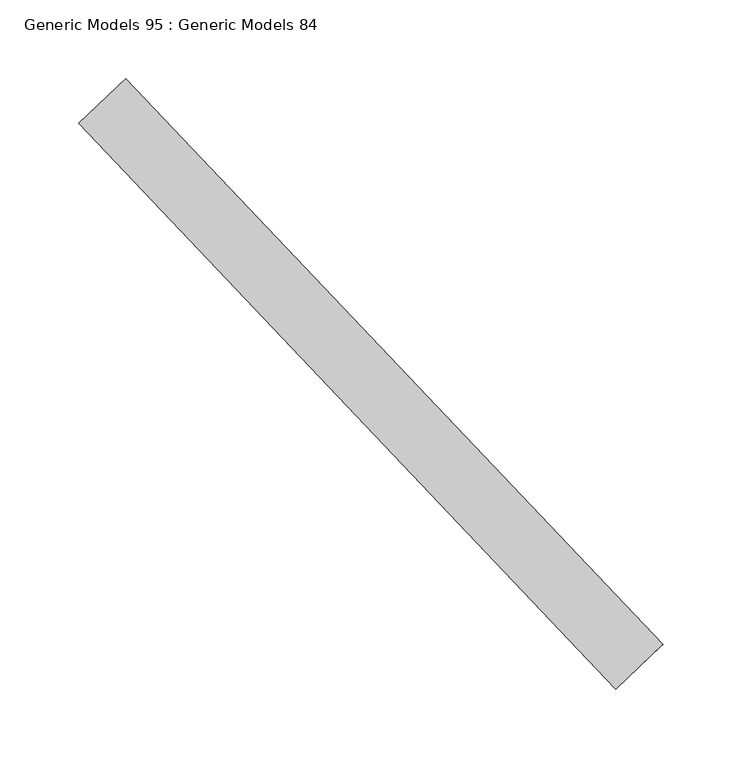
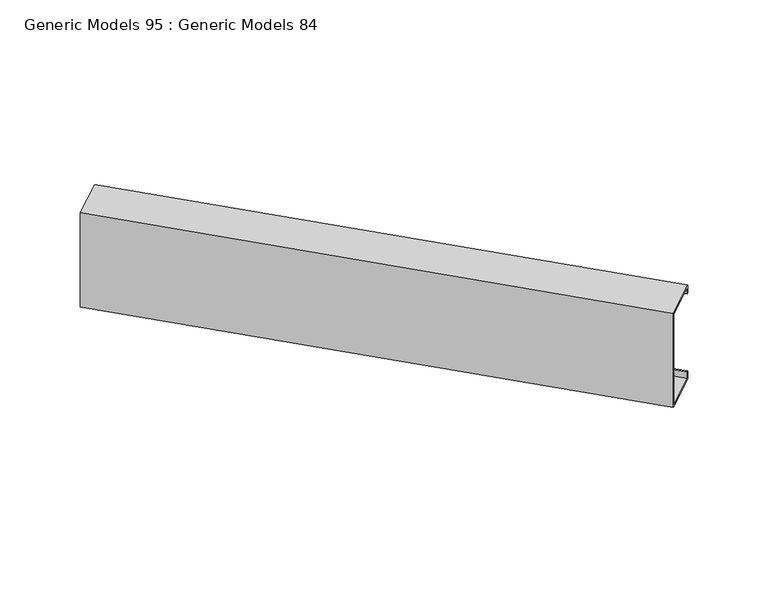
"""IFC4 building model written with IfcOpenShell, lengths in millimetres: proxy geometry, Generic Models 95 : Generic Models 84."""

from ifc_helpers import new_model, si_unit, frame, origin, place, context, project, spatial, polyline, outline, extrude, source, transform, mapped, element, save


def generic_models_95_generic_models_84_a0195590(model_context):
    return source(origin(), model_context, "Body", "SweptSolid", [
        extrude(outline(polyline([(0.0, -92.075), (-41.275, -92.075), (-41.275, -84.1375), (-39.6875, -84.1375), (-39.6875, -90.4875), (-1.5875, -90.4875), (-1.5875, -1.5875), (-39.6875, -1.5875), (-39.6875, -7.9375), (-41.275, -7.9375), (-41.275, 0.0), (0.0, 0.0), (0.0, -92.075)])), frame((108507.4101911, 48685.8093919, 18633.1233985), z_axis=(-0.6883545756937535, 0.7253743710122883, 0.0), x_axis=(-0.7253743710122883, -0.6883545756937535, 0.0)), (0.0, 0.0, 1.0), 495.3),
    ])


if __name__ == "__main__":
    model = new_model("IFC4")
    model_context = context("Model", 3, world=origin())
    ifc_project = project(units=[si_unit("LENGTHUNIT", "METRE", prefix="MILLI")], contexts=[model_context])
    site = spatial("IfcSite", under=ifc_project)
    building = spatial("IfcBuilding", under=site)
    placement = place(None, origin())
    generic_models_95_generic_models_84_shape = generic_models_95_generic_models_84_a0195590(model_context)
    element("IfcBuildingElementProxy", 1, Name="Generic Models 95 : Generic Models 84", ObjectType="Generic Models 95 : Generic Models 84", at=placement, inside=building, context=model_context, shape_type="MappedRepresentation", body=[
        mapped(generic_models_95_generic_models_84_shape, transform((0.0, 0.0, 0.0), x_axis=(1.0, 0.0, 0.0), y_axis=(0.0, 1.0, 0.0), z_axis=(0.0, 0.0, 1.0))),
    ])
    save(model, "model.ifc")
